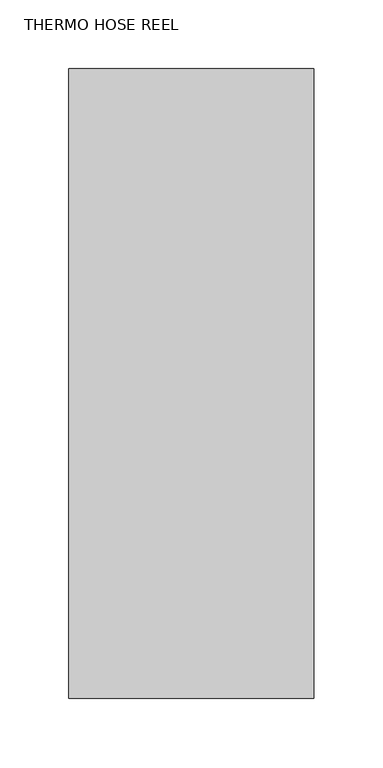
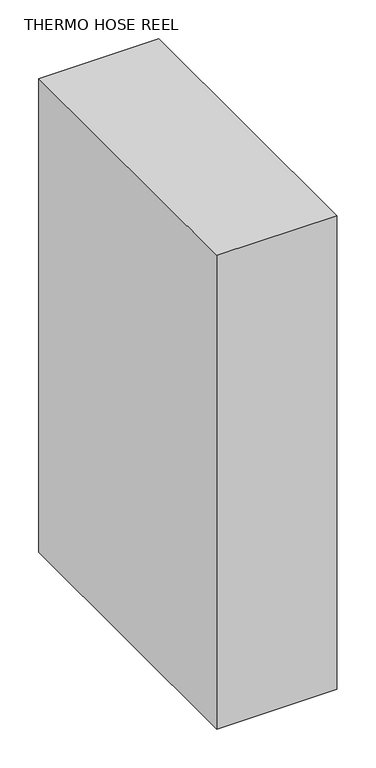
"""IFC4 building model written with IfcOpenShell, lengths in millimetres: proxy geometry, THERMO HOSE REEL."""

from ifc_helpers import new_model, si_unit, frame, origin, place, context, project, spatial, polyline, outline, extrude, source, transform, mapped, element, save


def thermo_hose_reel_0c5a19d9(model_context):
    return source(origin(), model_context, "Body", "SweptSolid", [
        extrude(outline(polyline([(687.0225069, 547.6748), (864.8225069, 547.6748), (864.8225069, 90.4748), (687.0225069, 90.4748), (687.0225069, 547.6748)])), frame((0.0, 0.0, 642.0032062), z_axis=(0.0, 0.0, 1.0), x_axis=(1.0, 0.0, 0.0)), (0.0, 0.0, 1.0), 742.9800594),
    ])


if __name__ == "__main__":
    model = new_model("IFC4")
    model_context = context("Model", 3, world=origin())
    ifc_project = project(units=[si_unit("LENGTHUNIT", "METRE", prefix="MILLI")], contexts=[model_context])
    site = spatial("IfcSite", under=ifc_project)
    building = spatial("IfcBuilding", under=site)
    placement = place(None, origin())
    thermo_hose_reel_shape = thermo_hose_reel_0c5a19d9(model_context)
    element("IfcBuildingElementProxy", 1, Name="THERMO HOSE REEL", ObjectType="THERMO HOSE REEL", at=placement, inside=building, context=model_context, shape_type="MappedRepresentation", body=[
        mapped(thermo_hose_reel_shape, transform((0.0, 0.0, 0.0), x_axis=(1.0, 0.0, 0.0), y_axis=(0.0, 1.0, 0.0), z_axis=(0.0, 0.0, 1.0))),
    ])
    save(model, "model.ifc")
